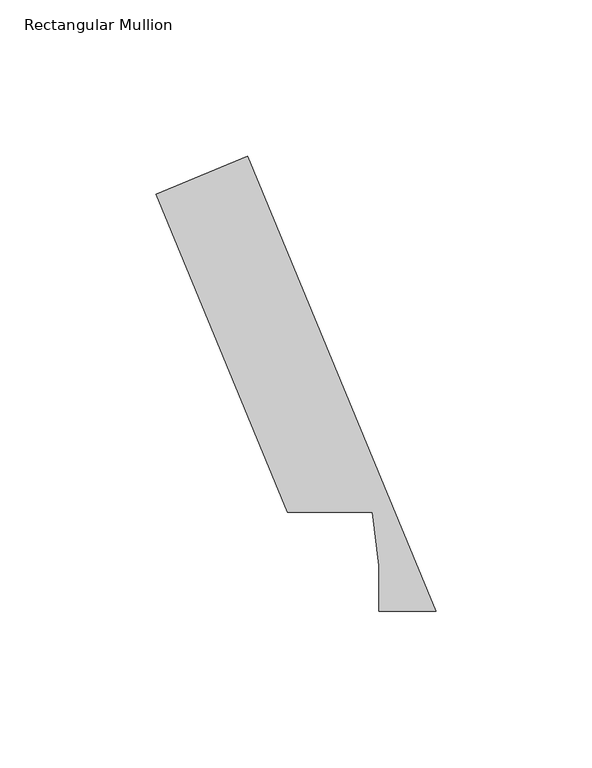
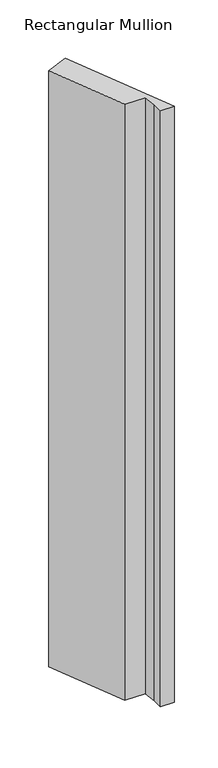
"""IFC4 building model written with IfcOpenShell, lengths in millimetres: member geometry, Rectangular Mullion."""

from ifc_helpers import new_model, si_unit, frame, origin, place, context, project, spatial, polyline, outline, extrude, source, transform, mapped, element, save


def rectangular_mullion_73a5f809(model_context):
    return source(origin(), model_context, "Body", "SweptSolid", [
        extrude(outline(polyline([(-97.7891298, 153.2347441), (-68.4559547, 165.384943), (-8.0475254, 19.5460937), (-26.3173924, 19.5460937), (-26.3173924, 34.1720046), (-28.3687568, 51.2960938), (-55.5647583, 51.2960938), (-97.7891298, 153.2347441)])), frame((0.0, 0.0, -838.2000001), z_axis=(0.0, 0.0, 1.0), x_axis=(1.0, 0.0, 0.0)), (0.0, 0.0, 1.0), 838.2000001),
    ])


if __name__ == "__main__":
    model = new_model("IFC4")
    model_context = context("Model", 3, world=origin())
    ifc_project = project(units=[si_unit("LENGTHUNIT", "METRE", prefix="MILLI")], contexts=[model_context])
    site = spatial("IfcSite", under=ifc_project)
    building = spatial("IfcBuilding", under=site)
    placement = place(None, origin())
    rectangular_mullion_shape = rectangular_mullion_73a5f809(model_context)
    element("IfcMember", 1, ObjectType="Rectangular Mullion", at=placement, inside=building, context=model_context, shape_type="MappedRepresentation", body=[
        mapped(rectangular_mullion_shape, transform((0.0, 0.0, 0.0), x_axis=(1.0, 0.0, 0.0), y_axis=(0.0, 1.0, 0.0), z_axis=(0.0, 0.0, 1.0))),
    ])
    save(model, "model.ifc")
